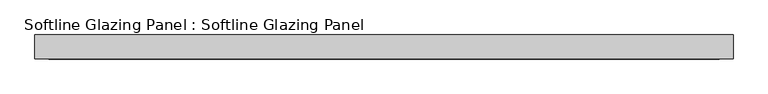
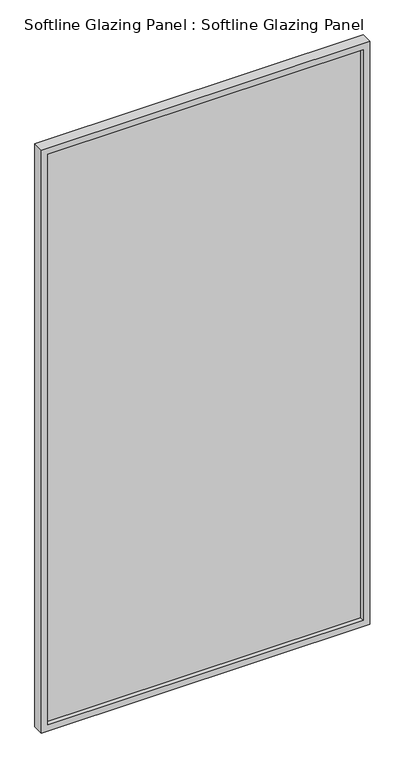
"""IFC4 building model written with IfcOpenShell, lengths in millimetres: plate geometry, Softline Glazing Panel : Softline Glazing Panel."""

from ifc_helpers import new_model, si_unit, frame, origin, place, context, project, spatial, polyline, outline, extrude, faceted_brep, source, transform, mapped, element, save


def softline_glazing_panel_softline_glazing_panel_38c162e7(model_context):
    return source(origin(), model_context, "Body", "SolidModel", [
        extrude(outline(polyline([(640.5, -4.0), (-640.5, -4.0), (-640.5, 4.0), (640.5, 4.0), (640.5, -4.0)])), frame((0.0, 0.0, 16.0), z_axis=(0.0, 0.0, 1.0), x_axis=(1.0, 0.0, 0.0)), (0.0, 0.0, 1.0), 2434.0),
        faceted_brep([(630.5, -4.0, 26.0), (-630.5, -4.0, 26.0), (-630.5, -22.5, 26.0), (630.5, -22.5, 26.0), (640.5, 4.0, 16.0), (-640.5, 4.0, 16.0), (-640.5, -4.0, 16.0), (640.5, -4.0, 16.0), (630.5, 22.5, 26.0), (-630.5, 22.5, 26.0), (-630.5, 4.0, 26.0), (630.5, 4.0, 26.0), (656.5, -22.5, 0.0), (-656.5, -22.5, 0.0), (-656.5, 22.5, 0.0), (656.5, 22.5, 0.0), (-630.5, -4.0, 2440.0), (-630.5, -22.5, 2440.0), (-640.5, 4.0, 2450.0), (-640.5, -4.0, 2450.0), (-630.5, 22.5, 2440.0), (-630.5, 4.0, 2440.0), (-656.5, -22.5, 2466.0), (-656.5, 22.5, 2466.0), (630.5, -4.0, 2440.0), (630.5, -22.5, 2440.0), (640.5, 4.0, 2450.0), (640.5, -4.0, 2450.0), (630.5, 22.5, 2440.0), (630.5, 4.0, 2440.0), (656.5, -22.5, 2466.0), (656.5, 22.5, 2466.0)], [[[0, 1, 2, 3]], [[4, 5, 6, 7]], [[8, 9, 10, 11]], [[12, 13, 14, 15]], [[1, 16, 17, 2]], [[5, 18, 19, 6]], [[9, 20, 21, 10]], [[13, 22, 23, 14]], [[16, 24, 25, 17]], [[18, 26, 27, 19]], [[20, 28, 29, 21]], [[22, 30, 31, 23]], [[13, 12, 30, 22], [3, 2, 17, 25]], [[24, 0, 3, 25]], [[7, 6, 19, 27], [1, 0, 24, 16]], [[26, 4, 7, 27]], [[5, 4, 26, 18], [11, 10, 21, 29]], [[28, 8, 11, 29]], [[15, 14, 23, 31], [9, 8, 28, 20]], [[30, 12, 15, 31]]]),
    ])


if __name__ == "__main__":
    model = new_model("IFC4")
    model_context = context("Model", 3, world=origin())
    ifc_project = project(units=[si_unit("LENGTHUNIT", "METRE", prefix="MILLI")], contexts=[model_context])
    site = spatial("IfcSite", under=ifc_project)
    building = spatial("IfcBuilding", under=site)
    placement = place(None, origin())
    softline_glazing_panel_softline_glazing_panel_shape = softline_glazing_panel_softline_glazing_panel_38c162e7(model_context)
    element("IfcPlate", 1, ObjectType="Softline Glazing Panel : Softline Glazing Panel", at=placement, inside=building, context=model_context, shape_type="MappedRepresentation", body=[
        mapped(softline_glazing_panel_softline_glazing_panel_shape, transform((0.0, 0.0, 0.0), x_axis=(1.0, 0.0, 0.0), y_axis=(0.0, 1.0, 0.0), z_axis=(0.0, 0.0, 1.0))),
    ])
    save(model, "model.ifc")
